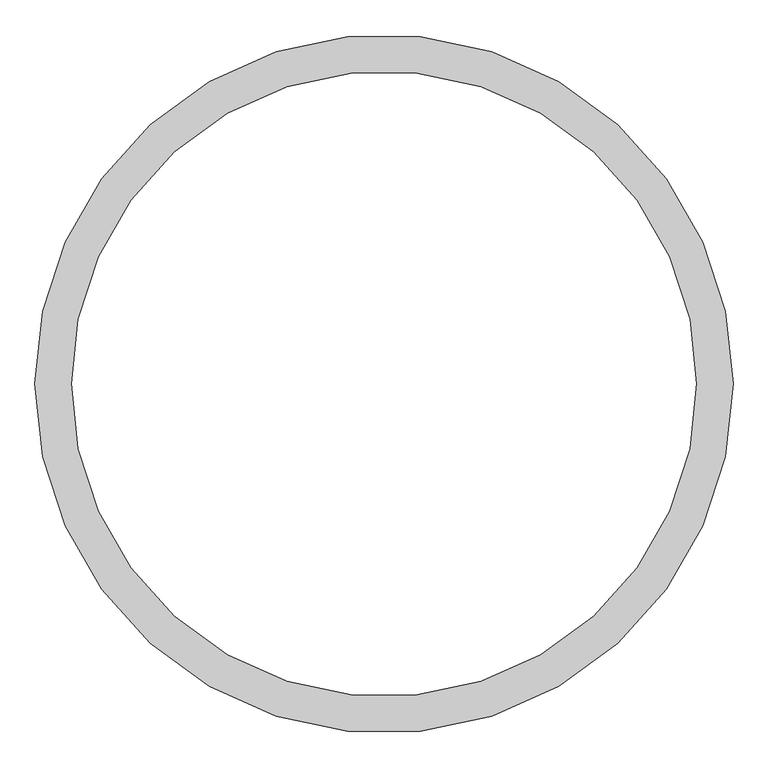
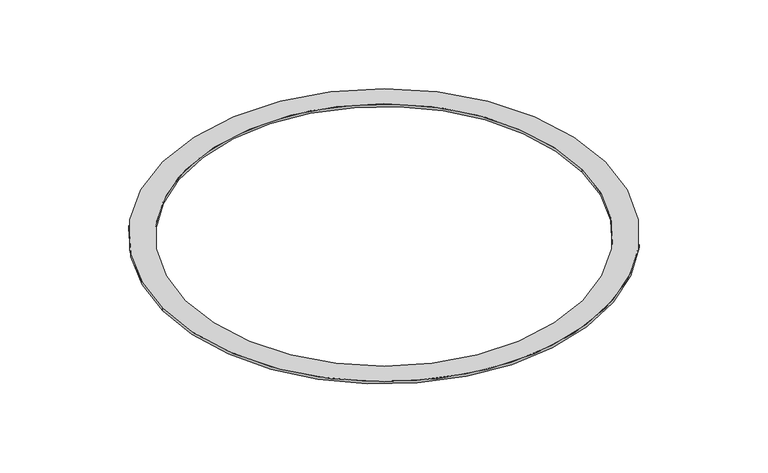
"""IFC4 building model written with IfcOpenShell, lengths in millimetres: furniture geometry."""

from ifc_helpers import new_model, si_unit, point, origin, origin_with_axes, origin_2d, place, context, project, spatial, circle_curve, trimmed, segment, composite_curve, outline, extrude, source, transform, mapped, element, save


def furniture_581ac084(model_context):
    return source(origin(), model_context, "Body", "SweptSolid", [
        extrude(outline(composite_curve([segment(trimmed(circle_curve(origin_2d(), 856.0459527), [point((-856.0459527, 0.0))], [point((856.0459527, 0.0))], False, "CARTESIAN"), True, "CONTINUOUS"), segment(trimmed(circle_curve(origin_2d(), 856.0459527), [point((856.0459527, 0.0))], [point((-856.0459527, 0.0))], False, "CARTESIAN"), True, "CONTINUOUS")], self_intersect=False), holes=[composite_curve([segment(trimmed(circle_curve(origin_2d(), 766.0459527), [point((766.0459527, 0.0))], [point((-766.0459527, 0.0))], True, "CARTESIAN"), True, "CONTINUOUS"), segment(trimmed(circle_curve(origin_2d(), 766.0459527), [point((-766.0459527, 0.0))], [point((766.0459527, 0.0))], True, "CARTESIAN"), True, "CONTINUOUS")], self_intersect=False)]), origin_with_axes(), (0.0, 0.0, 1.0), 10.0),
    ])


if __name__ == "__main__":
    model = new_model("IFC4")
    model_context = context("Model", 3, world=origin())
    ifc_project = project(units=[si_unit("LENGTHUNIT", "METRE", prefix="MILLI")], contexts=[model_context])
    site = spatial("IfcSite", under=ifc_project)
    building = spatial("IfcBuilding", under=site)
    placement = place(None, origin())
    furniture_shape = furniture_581ac084(model_context)
    element("IfcFurniture", 1, at=placement, inside=building, context=model_context, shape_type="MappedRepresentation", body=[
        mapped(furniture_shape, transform((0.0, 0.0, 0.0), x_axis=(1.0, 0.0, 0.0), y_axis=(0.0, 1.0, 0.0), z_axis=(0.0, 0.0, 1.0))),
    ])
    save(model, "model.ifc")
